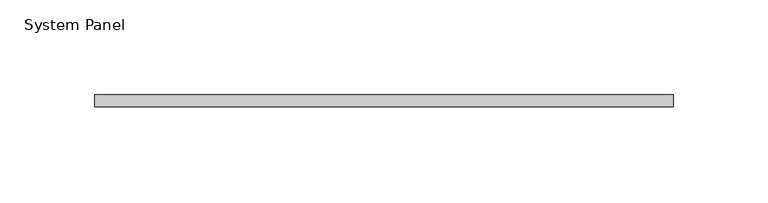
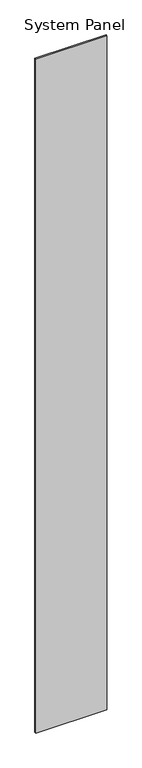
"""IFC4 building model written with IfcOpenShell, lengths in millimetres: plate geometry, System Panel."""

from ifc_helpers import new_model, si_unit, origin, origin_with_axes, place, context, project, spatial, polyline, outline, extrude, source, transform, mapped, element, save


def system_panel_2db91883(model_context):
    return source(origin(), model_context, "Body", "SweptSolid", [
        extrude(outline(polyline([(152.400173, -6.35), (-152.400173, -6.35), (-152.400173, 0.0), (152.400173, 0.0), (152.400173, -6.35)])), origin_with_axes(), (0.0, 0.0, 1.0), 3048.0),
    ])


if __name__ == "__main__":
    model = new_model("IFC4")
    model_context = context("Model", 3, world=origin())
    ifc_project = project(units=[si_unit("LENGTHUNIT", "METRE", prefix="MILLI")], contexts=[model_context])
    site = spatial("IfcSite", under=ifc_project)
    building = spatial("IfcBuilding", under=site)
    placement = place(None, origin())
    system_panel_shape = system_panel_2db91883(model_context)
    element("IfcPlate", 1, ObjectType="System Panel", at=placement, inside=building, context=model_context, shape_type="MappedRepresentation", body=[
        mapped(system_panel_shape, transform((0.0, 0.0, 0.0), x_axis=(1.0, 0.0, 0.0), y_axis=(0.0, 1.0, 0.0), z_axis=(0.0, 0.0, 1.0))),
    ])
    save(model, "model.ifc")
